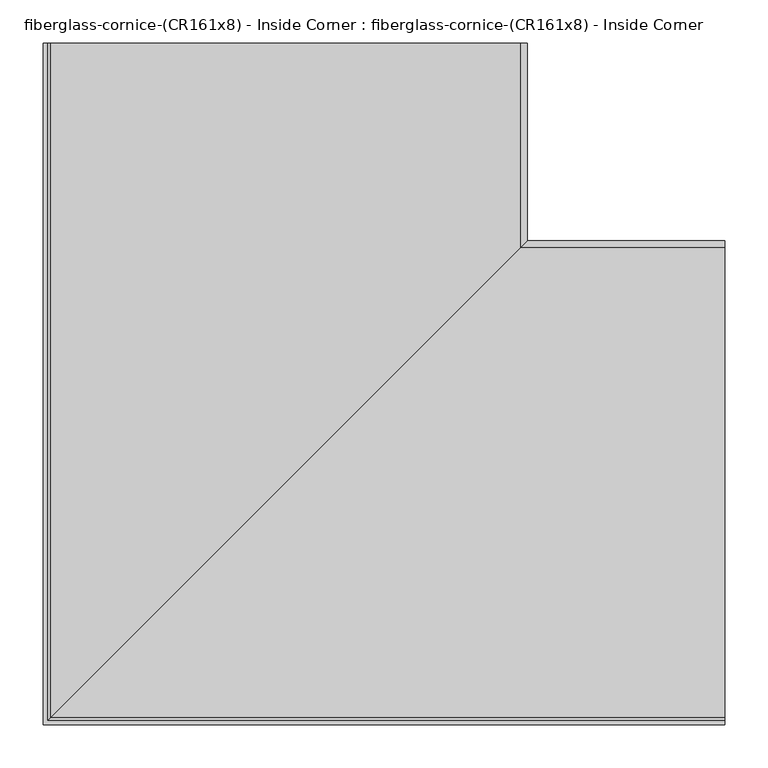
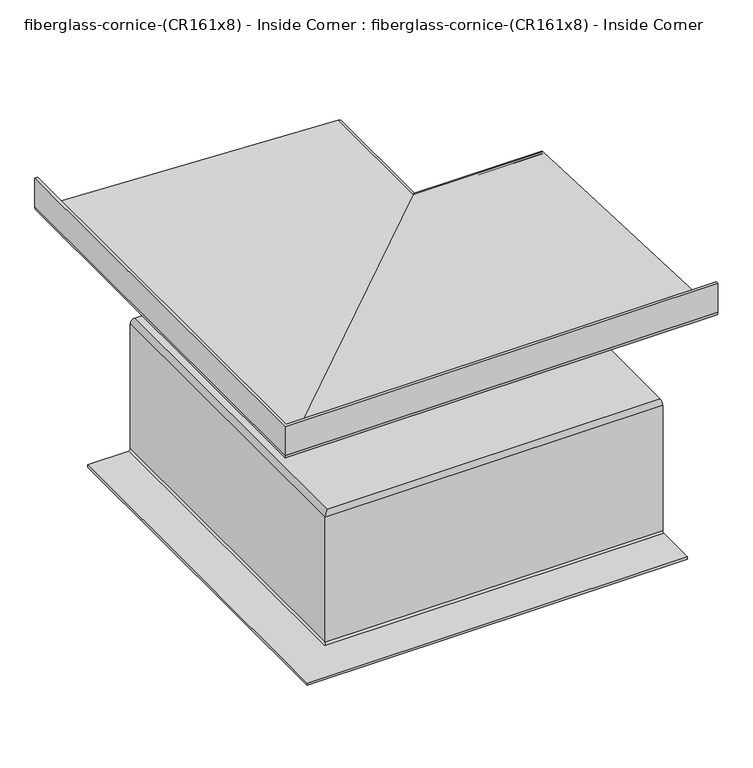
"""IFC4 building model written with IfcOpenShell, lengths in millimetres: furniture geometry, fiberglass-cornice-(CR161x8) - Inside Corner : fiberglass-cornice-(CR161x8) - Inside Corner."""

from ifc_helpers import new_model, si_unit, frame, origin, place, context, project, spatial, polyline, circle_curve, ellipse_curve, source, transform, mapped, element, save
from ifc_brep_helpers import plane_surface, cylinder_surface, revolved_surface, advanced_brep


def fiberglass_cornice_cr161x8_inside_corner_fiberglass_cornice_8de5b2d9(model_context):
    return source(origin(), model_context, "Body", "AdvancedBrep", [
        advanced_brep(
        [(-388.9191662, 888.603125, 274.5878687), (-385.8646334, 888.603125, 271.5333359), (157.6876429, 888.603125, 248.8192233), (165.6629463, 888.603125, 240.8439199), (165.6629463, 888.603125, 1.3732172), (157.694894, 888.603125, -6.5948351), (143.352419, 888.603125, -6.5948351), (140.1651992, 888.603125, -3.4076097), (136.9779808, 888.603125, -0.2203858), (130.6035385, 888.603125, -0.2203858), (127.4163201, 888.603125, -3.4076111), (124.2262327, 888.603125, -6.5948351), (-212.0285523, 888.603125, -6.5948351), (-215.2157708, 888.603125, -9.7820536), (-215.2157708, 888.603125, -250.3692629), (-223.1838168, 888.603125, -258.3373089), (-298.0840763, 888.603125, -258.3373089), (-298.0840763, 888.603125, -253.5564813), (-223.1838168, 888.603125, -253.5564813), (-219.9965984, 888.603125, -250.3692629), (-219.9965984, 888.603125, -9.7820441), (-212.0285521, 888.603125, -1.8139978), (119.4399789, 888.603125, -1.8139978), (122.6354925, 888.603125, 1.3732166), (125.8227109, 888.603125, 4.5604418), (141.7588084, 888.603125, 4.5604418), (144.9460268, 888.603125, 1.3732189), (148.1332466, 888.603125, -1.8140054), (157.694896, 888.603125, -1.8140054), (160.8821186, 888.603125, 1.3732172), (160.8821186, 888.603125, 240.8439199), (157.6919873, 888.603125, 244.0340512), (-386.843299, 888.603125, 266.8276293), (-393.6999938, 888.603125, 274.7177912), (-393.6999938, 888.603125, 330.1999904), (-388.9191662, 888.603125, 330.1999904), (393.6999938, 105.9839526, 274.5878687), (393.6999938, 105.9839526, 330.1999904), (393.6999938, 101.203125, 330.1999904), (393.6999938, 101.203125, 274.7177912), (393.6999938, 108.0598198, 266.8276293), (393.6999938, 652.5951062, 244.0340512), (393.6999938, 655.7852375, 240.8439199), (393.6999938, 655.7852375, 1.3732172), (393.6999938, 652.5980149, -1.8140054), (393.6999938, 643.0363655, -1.8140054), (393.6999938, 639.8491457, 1.3732189), (393.6999938, 636.6619272, 4.5604418), (393.6999938, 620.7258297, 4.5604418), (393.6999938, 617.5386113, 1.3732166), (393.6999938, 614.3430977, -1.8139978), (393.6999938, 282.8745667, -1.8139978), (393.6999938, 274.9065204, -9.7820441), (393.6999938, 274.9065204, -250.3692629), (393.6999938, 271.719302, -253.5564813), (393.6999938, 196.8190426, -253.5564813), (393.6999938, 196.8190426, -258.3373089), (393.6999938, 271.719302, -258.3373089), (393.6999938, 279.6873481, -250.3692629), (393.6999938, 279.6873481, -9.7820536), (393.6999938, 282.8745666, -6.5948351), (393.6999938, 619.1293516, -6.5948351), (393.6999938, 622.3194389, -3.4076111), (393.6999938, 625.5066573, -0.2203858), (393.6999938, 631.8810996, -0.2203858), (393.6999938, 635.068318, -3.4076097), (393.6999938, 638.2555378, -6.5948351), (393.6999938, 652.5980128, -6.5948351), (393.6999938, 660.5660651, 1.3732172), (393.6999938, 660.5660651, 240.8439199), (393.6999938, 652.5907618, 248.8192233), (393.6999938, 109.0384854, 271.5333359), (-388.9191662, 105.9839526, 274.5878687), (-385.8646334, 109.0384854, 271.5333359), (157.6876429, 652.5907618, 248.8192233), (165.6629463, 660.5660651, 240.8439199), (165.6629463, 660.5660651, 1.3732172), (157.694894, 652.5980128, -6.5948351), (143.352419, 638.2555378, -6.5948351), (140.1651992, 635.068318, -3.4076097), (136.9779808, 631.8810996, -0.2203858), (130.6035385, 625.5066573, -0.2203858), (127.4163201, 622.3194389, -3.4076111), (124.2262327, 619.1293516, -6.5948351), (-212.0285523, 282.8745666, -6.5948351), (-215.2157708, 279.6873481, -9.7820536), (-215.2157708, 279.6873481, -250.3692629), (-223.1838168, 271.719302, -258.3373089), (-298.0840763, 196.8190426, -258.3373089), (-298.0840763, 196.8190426, -253.5564813), (-223.1838168, 271.719302, -253.5564813), (-219.9965984, 274.9065204, -250.3692629), (-219.9965984, 274.9065204, -9.7820441), (-212.0285521, 282.8745667, -1.8139978), (119.4399789, 614.3430977, -1.8139978), (122.6354925, 617.5386113, 1.3732166), (125.8227109, 620.7258297, 4.5604418), (141.7588084, 636.6619272, 4.5604418), (144.9460268, 639.8491457, 1.3732189), (148.1332466, 643.0363655, -1.8140054), (157.694896, 652.5980149, -1.8140054), (160.8821186, 655.7852375, 1.3732172), (160.8821186, 655.7852375, 240.8439199), (157.6919873, 652.5951062, 244.0340512), (-386.843299, 108.0598198, 266.8276293), (-393.6999938, 101.203125, 274.7177912), (-393.6999938, 101.203125, 330.1999904), (-388.9191662, 105.9839526, 330.1999904)],
        [
            (0, 1, circle_curve(frame((-385.8646334, 888.603125, 274.5878687), z_axis=(0.0, -1.0, 0.0), x_axis=(1.0, 0.0, 0.0)), 3.0545328)),
            (1, 2),
            (2, 3, circle_curve(frame((157.6876429, 888.603125, 240.8439199), z_axis=(0.0, 1.0, 0.0), x_axis=(1.0, 0.0, 0.0)), 7.9753033)),
            (3, 4),
            (4, 5, circle_curve(frame((157.694894, 888.603125, 1.3732172), z_axis=(0.0, 1.0, 0.0), x_axis=(1.0, 0.0, 0.0)), 7.9680523)),
            (5, 6),
            (6, 7, circle_curve(frame((143.352419, 888.603125, -3.4076153), z_axis=(0.0, 1.0, 0.0), x_axis=(1.0, 0.0, 0.0)), 3.1872198)),
            (7, 8, circle_curve(frame((136.9779808, 888.603125, -3.4076042), z_axis=(0.0, -1.0, 0.0), x_axis=(1.0, 0.0, 0.0)), 3.1872184)),
            (8, 9),
            (9, 10, circle_curve(frame((130.6035385, 888.603125, -3.4076042), z_axis=(0.0, -1.0, 0.0), x_axis=(1.0, 0.0, 0.0)), 3.1872184)),
            (10, 11, circle_curve(frame((124.2291017, 888.603125, -3.407618), z_axis=(0.0, 1.0, 0.0), x_axis=(1.0, 0.0, 0.0)), 3.1872184)),
            (11, 12),
            (12, 13, circle_curve(frame((-212.0285523, 888.603125, -9.7820536), z_axis=(0.0, -1.0, 0.0), x_axis=(1.0, 0.0, 0.0)), 3.1872185)),
            (13, 14),
            (14, 15, circle_curve(frame((-223.1838168, 888.603125, -250.3692629), z_axis=(0.0, 1.0, 0.0), x_axis=(1.0, 0.0, 0.0)), 7.968046)),
            (15, 16),
            (16, 17),
            (17, 18),
            (18, 19, circle_curve(frame((-223.1838168, 888.603125, -250.3692629), z_axis=(0.0, -1.0, 0.0), x_axis=(1.0, 0.0, 0.0)), 3.1872184)),
            (19, 20),
            (20, 21, circle_curve(frame((-212.0285521, 888.603125, -9.7820441), z_axis=(0.0, 1.0, 0.0), x_axis=(1.0, 0.0, 0.0)), 7.9680463)),
            (21, 22),
            (22, 23, circle_curve(frame((119.4482741, 888.603125, 1.3732098), z_axis=(0.0, -1.0, 0.0), x_axis=(1.0, 0.0, 0.0)), 3.1872184)),
            (23, 24, circle_curve(frame((125.8227109, 888.603125, 1.3732234), z_axis=(0.0, 1.0, 0.0), x_axis=(1.0, 0.0, 0.0)), 3.1872184)),
            (24, 25),
            (25, 26, circle_curve(frame((141.7588084, 888.603125, 1.3732234), z_axis=(0.0, 1.0, 0.0), x_axis=(1.0, 0.0, 0.0)), 3.1872184)),
            (26, 27, circle_curve(frame((148.1332466, 888.603125, 1.3732144), z_axis=(0.0, -1.0, 0.0), x_axis=(1.0, 0.0, 0.0)), 3.1872198)),
            (27, 28),
            (28, 29, circle_curve(frame((157.694896, 888.603125, 1.3732172), z_axis=(0.0, -1.0, 0.0), x_axis=(1.0, 0.0, 0.0)), 3.1872226)),
            (29, 30),
            (30, 31, circle_curve(frame((157.6919873, 888.603125, 240.8439199), z_axis=(0.0, -1.0, 0.0), x_axis=(1.0, 0.0, 0.0)), 3.1901313)),
            (31, 32),
            (32, 33, circle_curve(frame((-386.5425116, 888.603125, 274.0133965), z_axis=(0.0, 1.0, 0.0), x_axis=(1.0, 0.0, 0.0)), 7.1920598)),
            (33, 34),
            (34, 35),
            (35, 0),
            (36, 37),
            (37, 38),
            (38, 39),
            (39, 40, circle_curve(frame((393.6999938, 108.3606072, 274.0133965), z_axis=(1.0, 0.0, 0.0), x_axis=(0.0, 1.0, 0.0)), 7.1920598)),
            (40, 41),
            (41, 42, circle_curve(frame((393.6999938, 652.5951062, 240.8439199), z_axis=(-1.0, 0.0, 0.0), x_axis=(0.0, 1.0, 0.0)), 3.1901313)),
            (42, 43),
            (43, 44, circle_curve(frame((393.6999938, 652.5980149, 1.3732172), z_axis=(-1.0, 0.0, 0.0), x_axis=(0.0, 1.0, 0.0)), 3.1872226)),
            (44, 45),
            (45, 46, circle_curve(frame((393.6999938, 643.0363655, 1.3732144), z_axis=(-1.0, 0.0, 0.0), x_axis=(0.0, 1.0, 0.0)), 3.1872198)),
            (46, 47, circle_curve(frame((393.6999938, 636.6619272, 1.3732234), z_axis=(1.0, 0.0, 0.0), x_axis=(0.0, 1.0, 0.0)), 3.1872184)),
            (47, 48),
            (48, 49, circle_curve(frame((393.6999938, 620.7258297, 1.3732234), z_axis=(1.0, 0.0, 0.0), x_axis=(0.0, 1.0, 0.0)), 3.1872184)),
            (49, 50, circle_curve(frame((393.6999938, 614.3513929, 1.3732098), z_axis=(-1.0, 0.0, 0.0), x_axis=(0.0, 1.0, 0.0)), 3.1872184)),
            (50, 51),
            (51, 52, circle_curve(frame((393.6999938, 282.8745667, -9.7820441), z_axis=(1.0, 0.0, 0.0), x_axis=(0.0, 1.0, 0.0)), 7.9680463)),
            (52, 53),
            (53, 54, circle_curve(frame((393.6999938, 271.719302, -250.3692629), z_axis=(-1.0, 0.0, 0.0), x_axis=(0.0, 1.0, 0.0)), 3.1872184)),
            (54, 55),
            (55, 56),
            (56, 57),
            (57, 58, circle_curve(frame((393.6999938, 271.719302, -250.3692629), z_axis=(1.0, 0.0, 0.0), x_axis=(0.0, 1.0, 0.0)), 7.968046)),
            (58, 59),
            (59, 60, circle_curve(frame((393.6999938, 282.8745666, -9.7820536), z_axis=(-1.0, 0.0, 0.0), x_axis=(0.0, 1.0, 0.0)), 3.1872185)),
            (60, 61),
            (61, 62, circle_curve(frame((393.6999938, 619.1322205, -3.407618), z_axis=(1.0, 0.0, 0.0), x_axis=(0.0, 1.0, 0.0)), 3.1872184)),
            (62, 63, circle_curve(frame((393.6999938, 625.5066573, -3.4076042), z_axis=(-1.0, 0.0, 0.0), x_axis=(0.0, 1.0, 0.0)), 3.1872184)),
            (63, 64),
            (64, 65, circle_curve(frame((393.6999938, 631.8810996, -3.4076042), z_axis=(-1.0, 0.0, 0.0), x_axis=(0.0, 1.0, 0.0)), 3.1872184)),
            (65, 66, circle_curve(frame((393.6999938, 638.2555378, -3.4076153), z_axis=(1.0, 0.0, 0.0), x_axis=(0.0, 1.0, 0.0)), 3.1872198)),
            (66, 67),
            (67, 68, circle_curve(frame((393.6999938, 652.5980128, 1.3732172), z_axis=(1.0, 0.0, 0.0), x_axis=(0.0, 1.0, 0.0)), 7.9680523)),
            (68, 69),
            (69, 70, circle_curve(frame((393.6999938, 652.5907618, 240.8439199), z_axis=(1.0, 0.0, 0.0), x_axis=(0.0, 1.0, 0.0)), 7.9753033)),
            (70, 71),
            (71, 36, circle_curve(frame((393.6999938, 109.0384854, 274.5878687), z_axis=(-1.0, 0.0, 0.0), x_axis=(0.0, 1.0, 0.0)), 3.0545328)),
            (0, 72),
            (72, 73, ellipse_curve(frame((-385.8646334, 109.0384854, 274.5878687), z_axis=(0.7071067811865475, -0.7071067811865475, 0.0), x_axis=(-0.7071067811865474, -0.7071067811865476, 0.0)), 4.3197617, 3.0545328)),
            (73, 1),
            (73, 74),
            (74, 2),
            (74, 75, ellipse_curve(frame((157.6876429, 652.5907618, 240.8439199), z_axis=(-0.7071067811865475, 0.7071067811865475, 0.0), x_axis=(0.7071067811865474, 0.7071067811865476, 0.0)), 11.2787821, 7.9753033)),
            (75, 3),
            (75, 76),
            (76, 4),
            (76, 77, ellipse_curve(frame((157.694894, 652.5980128, 1.3732172), z_axis=(-0.7071067811865475, 0.7071067811865475, 0.0), x_axis=(0.7071067811865474, 0.7071067811865476, 0.0)), 11.2685276, 7.9680523)),
            (77, 5),
            (77, 67),
            (66, 78),
            (78, 6),
            (78, 79, ellipse_curve(frame((143.352419, 638.2555378, -3.4076153), z_axis=(-0.7071067811865475, 0.7071067811865475, 0.0), x_axis=(0.7071067811865474, 0.7071067811865476, 0.0)), 4.5074095, 3.1872198)),
            (79, 7),
            (79, 80, ellipse_curve(frame((136.9779808, 631.8810996, -3.4076042), z_axis=(0.7071067811865475, -0.7071067811865475, 0.0), x_axis=(-0.7071067811865474, -0.7071067811865476, 0.0)), 4.5074075, 3.1872184)),
            (80, 8),
            (80, 64),
            (63, 81),
            (81, 9),
            (81, 82, ellipse_curve(frame((130.6035385, 625.5066573, -3.4076042), z_axis=(0.7071067811865475, -0.7071067811865475, 0.0), x_axis=(-0.7071067811865474, -0.7071067811865476, 0.0)), 4.5074075, 3.1872184)),
            (82, 10),
            (82, 83, ellipse_curve(frame((124.2291017, 619.1322205, -3.407618), z_axis=(-0.7071067811865475, 0.7071067811865475, 0.0), x_axis=(0.7071067811865474, 0.7071067811865476, 0.0)), 4.5074075, 3.1872184)),
            (83, 11),
            (83, 61),
            (60, 84),
            (84, 12),
            (84, 85, ellipse_curve(frame((-212.0285523, 282.8745666, -9.7820536), z_axis=(0.7071067811865475, -0.7071067811865475, 0.0), x_axis=(-0.7071067811865474, -0.7071067811865476, 0.0)), 4.5074076, 3.1872185)),
            (85, 13),
            (85, 86),
            (86, 14),
            (86, 87, ellipse_curve(frame((-223.1838168, 271.719302, -250.3692629), z_axis=(-0.7071067811865475, 0.7071067811865475, 0.0), x_axis=(0.7071067811865474, 0.7071067811865476, 0.0)), 11.2685188, 7.968046)),
            (87, 15),
            (87, 57),
            (56, 88),
            (88, 16),
            (88, 89),
            (89, 17),
            (89, 55),
            (54, 90),
            (90, 18),
            (90, 91, ellipse_curve(frame((-223.1838168, 271.719302, -250.3692629), z_axis=(0.7071067811865475, -0.7071067811865475, 0.0), x_axis=(-0.7071067811865474, -0.7071067811865476, 0.0)), 4.5074075, 3.1872184)),
            (91, 19),
            (91, 92),
            (92, 20),
            (92, 93, ellipse_curve(frame((-212.0285521, 282.8745667, -9.7820441), z_axis=(-0.7071067811865475, 0.7071067811865475, 0.0), x_axis=(0.7071067811865474, 0.7071067811865476, 0.0)), 11.2685191, 7.9680463)),
            (93, 21),
            (93, 51),
            (50, 94),
            (94, 22),
            (94, 95, ellipse_curve(frame((119.4482741, 614.3513929, 1.3732098), z_axis=(0.7071067811865475, -0.7071067811865475, 0.0), x_axis=(-0.7071067811865474, -0.7071067811865476, 0.0)), 4.5074075, 3.1872184)),
            (95, 23),
            (95, 96, ellipse_curve(frame((125.8227109, 620.7258297, 1.3732234), z_axis=(-0.7071067811865475, 0.7071067811865475, 0.0), x_axis=(0.7071067811865474, 0.7071067811865476, 0.0)), 4.5074075, 3.1872184)),
            (96, 24),
            (96, 48),
            (47, 97),
            (97, 25),
            (97, 98, ellipse_curve(frame((141.7588084, 636.6619272, 1.3732234), z_axis=(-0.7071067811865475, 0.7071067811865475, 0.0), x_axis=(0.7071067811865474, 0.7071067811865476, 0.0)), 4.5074075, 3.1872184)),
            (98, 26),
            (98, 99, ellipse_curve(frame((148.1332466, 643.0363655, 1.3732144), z_axis=(0.7071067811865475, -0.7071067811865475, 0.0), x_axis=(-0.7071067811865474, -0.7071067811865476, 0.0)), 4.5074095, 3.1872198)),
            (99, 27),
            (99, 45),
            (44, 100),
            (100, 28),
            (100, 101, ellipse_curve(frame((157.694896, 652.5980149, 1.3732172), z_axis=(0.7071067811865475, -0.7071067811865475, 0.0), x_axis=(-0.7071067811865474, -0.7071067811865476, 0.0)), 4.5074134, 3.1872226)),
            (101, 29),
            (101, 102),
            (102, 30),
            (102, 103, ellipse_curve(frame((157.6919873, 652.5951062, 240.8439199), z_axis=(0.7071067811865475, -0.7071067811865475, 0.0), x_axis=(-0.7071067811865474, -0.7071067811865476, 0.0)), 4.511527, 3.1901313)),
            (103, 31),
            (103, 104),
            (104, 32),
            (104, 105, ellipse_curve(frame((-386.5425116, 108.3606072, 274.0133965), z_axis=(-0.7071067811865475, 0.7071067811865475, 0.0), x_axis=(0.7071067811865474, 0.7071067811865476, 0.0)), 10.1711084, 7.1920598)),
            (105, 33),
            (105, 106),
            (106, 34),
            (106, 38),
            (37, 107),
            (107, 35),
            (107, 72),
            (72, 36),
            (71, 73),
            (70, 74),
            (69, 75),
            (68, 76),
            (65, 79),
            (62, 82),
            (59, 85),
            (58, 86),
            (53, 91),
            (52, 92),
            (49, 95),
            (46, 98),
            (43, 101),
            (42, 102),
            (41, 103),
            (40, 104),
            (39, 105),
        ],
        [
            plane_surface(frame((-393.6999938, 888.603125, 330.1999904), z_axis=(0.0, 1.0, 0.0), x_axis=(0.0, 0.0, 1.0))),
            plane_surface(frame((393.6999938, 101.203125, 330.1999904), z_axis=(1.0, 0.0, 0.0), x_axis=(0.0, 0.0, 1.0))),
            revolved_surface(polyline([(-382.8101006, 105.98395259999995, 274.5878687), (-382.8101006, 888.603125, 274.5878687)]), (-385.8646334, 888.603125, 274.5878687), (0.0, -1.0, 0.0)),
            plane_surface(frame((-385.8646334, 888.603125, 271.5333359), z_axis=(0.04175183727404033, 0.0, 0.9991280118604633), x_axis=(0.0, -1.0, 0.0))),
            cylinder_surface(frame((157.6876429, 888.603125, 240.8439199), z_axis=(0.0, 1.0, 0.0), x_axis=(1.0, 0.0, 0.0)), 7.9753033),
            plane_surface(frame((165.6629463, 888.603125, 240.8439199), z_axis=(1.0, 0.0, 0.0), x_axis=(0.0, -1.0, 0.0))),
            cylinder_surface(frame((157.694894, 888.603125, 1.3732172), z_axis=(0.0, 1.0, 0.0), x_axis=(1.0, 0.0, 0.0)), 7.9680523),
            plane_surface(frame((157.694894, 888.603125, -6.5948351), z_axis=(0.0, 0.0, -1.0), x_axis=(0.0, -1.0, 0.0))),
            cylinder_surface(frame((143.352419, 888.603125, -3.4076153), z_axis=(0.0, 1.0, 0.0), x_axis=(1.0, 0.0, 0.0)), 3.1872198),
            revolved_surface(polyline([(140.16519920000002, 628.6938811911789, -3.4076042), (140.16519920000002, 888.603125, -3.4076042)]), (136.9779808, 888.603125, -3.4076042), (0.0, -1.0, 0.0)),
            plane_surface(frame((136.9779808, 888.603125, -0.2203858), z_axis=(0.0, 0.0, -1.0), x_axis=(0.0, -1.0, 0.0))),
            revolved_surface(polyline([(133.79075690000002, 622.319438891179, -3.4076042), (133.79075690000002, 888.603125, -3.4076042)]), (130.6035385, 888.603125, -3.4076042), (0.0, -1.0, 0.0)),
            cylinder_surface(frame((124.2291017, 888.603125, -3.407618), z_axis=(0.0, 1.0, 0.0), x_axis=(1.0, 0.0, 0.0)), 3.1872184),
            plane_surface(frame((124.2262327, 888.603125, -6.5948351), z_axis=(0.0, 0.0, -1.0), x_axis=(0.0, -1.0, 0.0))),
            revolved_surface(polyline([(-208.8413338, 279.6873481, -9.7820536), (-208.8413338, 888.603125, -9.7820536)]), (-212.0285523, 888.603125, -9.7820536), (0.0, -1.0, 0.0)),
            plane_surface(frame((-215.2157708, 888.603125, -9.7820536), z_axis=(1.0, 0.0, 0.0), x_axis=(0.0, -1.0, 0.0))),
            cylinder_surface(frame((-223.1838168, 888.603125, -250.3692629), z_axis=(0.0, 1.0, 0.0), x_axis=(1.0, 0.0, 0.0)), 7.968046),
            plane_surface(frame((-223.1838168, 888.603125, -258.3373089), z_axis=(0.0, 0.0, -1.0), x_axis=(0.0, -1.0, 0.0))),
            plane_surface(frame((-298.0840763, 888.603125, -258.3373089), z_axis=(-1.0, 0.0, 0.0), x_axis=(0.0, -1.0, 0.0))),
            plane_surface(frame((-298.0840763, 888.603125, -253.5564813), z_axis=(0.0, 0.0, 1.0), x_axis=(0.0, -1.0, 0.0))),
            revolved_surface(polyline([(-219.99659839999998, 268.532083591179, -250.3692629), (-219.99659839999998, 888.603125, -250.3692629)]), (-223.1838168, 888.603125, -250.3692629), (0.0, -1.0, 0.0)),
            plane_surface(frame((-219.9965984, 888.603125, -250.3692629), z_axis=(-1.0, 0.0, 0.0), x_axis=(0.0, -1.0, 0.0))),
            cylinder_surface(frame((-212.0285521, 888.603125, -9.7820441), z_axis=(0.0, 1.0, 0.0), x_axis=(1.0, 0.0, 0.0)), 7.9680463),
            plane_surface(frame((-212.0285521, 888.603125, -1.8139978), z_axis=(0.0, 0.0, 1.0), x_axis=(0.0, -1.0, 0.0))),
            revolved_surface(polyline([(122.63549250000001, 611.1641744911789, 1.3732098), (122.63549250000001, 888.603125, 1.3732098)]), (119.4482741, 888.603125, 1.3732098), (0.0, -1.0, 0.0)),
            cylinder_surface(frame((125.8227109, 888.603125, 1.3732234), z_axis=(0.0, 1.0, 0.0), x_axis=(1.0, 0.0, 0.0)), 3.1872184),
            plane_surface(frame((125.8227109, 888.603125, 4.5604418), z_axis=(0.0, 0.0, 1.0), x_axis=(0.0, -1.0, 0.0))),
            cylinder_surface(frame((141.7588084, 888.603125, 1.3732234), z_axis=(0.0, 1.0, 0.0), x_axis=(1.0, 0.0, 0.0)), 3.1872184),
            revolved_surface(polyline([(151.32046640000002, 639.8491456769653, 1.3732144), (151.32046640000002, 888.603125, 1.3732144)]), (148.1332466, 888.603125, 1.3732144), (0.0, -1.0, 0.0)),
            plane_surface(frame((148.1332466, 888.603125, -1.8140054), z_axis=(0.0, 0.0, 1.0), x_axis=(0.0, -1.0, 0.0))),
            revolved_surface(polyline([(160.8821186, 649.4107923192488, 1.3732172), (160.8821186, 888.603125, 1.3732172)]), (157.694896, 888.603125, 1.3732172), (0.0, -1.0, 0.0)),
            plane_surface(frame((160.8821186, 888.603125, 1.3732172), z_axis=(-1.0, 0.0, 0.0), x_axis=(0.0, -1.0, 0.0))),
            revolved_surface(polyline([(160.88211859999998, 649.4049748647939, 240.8439199), (160.88211859999998, 888.603125, 240.8439199)]), (157.6919873, 888.603125, 240.8439199), (0.0, -1.0, 0.0)),
            plane_surface(frame((157.6919873, 888.603125, 244.0340512), z_axis=(-0.041822147847125, 0.0, -0.9991250712245456), x_axis=(0.0, -1.0, 0.0))),
            cylinder_surface(frame((-386.5425116, 888.603125, 274.0133965), z_axis=(0.0, 1.0, 0.0), x_axis=(1.0, 0.0, 0.0)), 7.1920598),
            plane_surface(frame((-393.6999938, 888.603125, 274.7177912), z_axis=(-1.0, 0.0, 0.0), x_axis=(0.0, -1.0, 0.0))),
            plane_surface(frame((-393.6999938, 888.603125, 330.1999904), z_axis=(0.0, 0.0, 1.0), x_axis=(0.0, -1.0, 0.0))),
            plane_surface(frame((-388.9191662, 888.603125, 330.1999904), z_axis=(1.0, 0.0, 0.0), x_axis=(0.0, -1.0, 0.0))),
            revolved_surface(polyline([(393.6999938, 112.0930182, 274.5878687), (-388.9191662, 112.0930182, 274.5878687)]), (-393.6999938, 109.0384854, 274.5878687), (1.0, 0.0, 0.0)),
            plane_surface(frame((-385.8646334, 109.0384854, 271.5333359), z_axis=(0.0, 0.04175183727404033, 0.9991280118604633), x_axis=(1.0, 0.0, 0.0))),
            cylinder_surface(frame((-393.6999938, 652.5907618, 240.8439199), z_axis=(-1.0, 0.0, 0.0), x_axis=(0.0, 1.0, 0.0)), 7.9753033),
            plane_surface(frame((165.6629463, 660.5660651, 240.8439199), z_axis=(0.0, 1.0, 0.0), x_axis=(1.0, 0.0, 0.0))),
            cylinder_surface(frame((-393.6999938, 652.5980128, 1.3732172), z_axis=(-1.0, 0.0, 0.0), x_axis=(0.0, 1.0, 0.0)), 7.9680523),
            cylinder_surface(frame((-393.6999938, 638.2555378, -3.4076153), z_axis=(-1.0, 0.0, 0.0), x_axis=(0.0, 1.0, 0.0)), 3.1872198),
            revolved_surface(polyline([(393.6999938, 635.068318, -3.4076042), (133.79076239117887, 635.068318, -3.4076042)]), (-393.6999938, 631.8810996, -3.4076042), (1.0, 0.0, 0.0)),
            revolved_surface(polyline([(393.6999938, 628.6938757, -3.4076042), (127.41632009117893, 628.6938757, -3.4076042)]), (-393.6999938, 625.5066573, -3.4076042), (1.0, 0.0, 0.0)),
            cylinder_surface(frame((-393.6999938, 619.1322205, -3.407618), z_axis=(-1.0, 0.0, 0.0), x_axis=(0.0, 1.0, 0.0)), 3.1872184),
            revolved_surface(polyline([(393.6999938, 286.06178509999995, -9.7820536), (-215.2157708, 286.06178509999995, -9.7820536)]), (-393.6999938, 282.8745666, -9.7820536), (1.0, 0.0, 0.0)),
            plane_surface(frame((-215.2157708, 279.6873481, -9.7820536), z_axis=(0.0, 1.0, 0.0), x_axis=(1.0, 0.0, 0.0))),
            cylinder_surface(frame((-393.6999938, 271.719302, -250.3692629), z_axis=(-1.0, 0.0, 0.0), x_axis=(0.0, 1.0, 0.0)), 7.968046),
            plane_surface(frame((-298.0840763, 196.8190426, -258.3373089), z_axis=(0.0, -1.0, 0.0), x_axis=(1.0, 0.0, 0.0))),
            revolved_surface(polyline([(393.6999938, 274.90652040000003, -250.3692629), (-226.3710352088211, 274.90652040000003, -250.3692629)]), (-393.6999938, 271.719302, -250.3692629), (1.0, 0.0, 0.0)),
            plane_surface(frame((-219.9965984, 274.9065204, -250.3692629), z_axis=(0.0, -1.0, 0.0), x_axis=(1.0, 0.0, 0.0))),
            cylinder_surface(frame((-393.6999938, 282.8745667, -9.7820441), z_axis=(-1.0, 0.0, 0.0), x_axis=(0.0, 1.0, 0.0)), 7.9680463),
            revolved_surface(polyline([(393.6999938, 617.5386113, 1.3732098), (116.26105569117897, 617.5386113, 1.3732098)]), (-393.6999938, 614.3513929, 1.3732098), (1.0, 0.0, 0.0)),
            cylinder_surface(frame((-393.6999938, 620.7258297, 1.3732234), z_axis=(-1.0, 0.0, 0.0), x_axis=(0.0, 1.0, 0.0)), 3.1872184),
            cylinder_surface(frame((-393.6999938, 636.6619272, 1.3732234), z_axis=(-1.0, 0.0, 0.0), x_axis=(0.0, 1.0, 0.0)), 3.1872184),
            revolved_surface(polyline([(393.6999938, 646.2235853, 1.3732144), (144.94602677696537, 646.2235853, 1.3732144)]), (-393.6999938, 643.0363655, 1.3732144), (1.0, 0.0, 0.0)),
            revolved_surface(polyline([(393.6999938, 655.7852375, 1.3732172), (154.50767341924882, 655.7852375, 1.3732172)]), (-393.6999938, 652.5980149, 1.3732172), (1.0, 0.0, 0.0)),
            plane_surface(frame((160.8821186, 655.7852375, 1.3732172), z_axis=(0.0, -1.0, 0.0), x_axis=(1.0, 0.0, 0.0))),
            revolved_surface(polyline([(393.6999938, 655.7852375, 240.8439199), (154.5018559647939, 655.7852375, 240.8439199)]), (-393.6999938, 652.5951062, 240.8439199), (1.0, 0.0, 0.0)),
            plane_surface(frame((157.6919873, 652.5951062, 244.0340512), z_axis=(0.0, -0.041822147847125, -0.9991250712245456), x_axis=(1.0, 0.0, 0.0))),
            cylinder_surface(frame((-393.6999938, 108.3606072, 274.0133965), z_axis=(-1.0, 0.0, 0.0), x_axis=(0.0, 1.0, 0.0)), 7.1920598),
            plane_surface(frame((-393.6999938, 101.203125, 274.7177912), z_axis=(0.0, -1.0, 0.0), x_axis=(1.0, 0.0, 0.0))),
            plane_surface(frame((-388.9191662, 105.9839526, 330.1999904), z_axis=(0.0, 1.0, 0.0), x_axis=(1.0, 0.0, 0.0))),
        ],
        [
            (0, [[1, 2, 3, 4, 5, 6, 7, 8, 9, 10, 11, 12, 13, 14, 15, 16, 17, 18, 19, 20, 21, 22, 23, 24, 25, 26, 27, 28, 29, 30, 31, 32, 33, 34, 35, 36]]),
            (1, [[37, 38, 39, 40, 41, 42, 43, 44, 45, 46, 47, 48, 49, 50, 51, 52, 53, 54, 55, 56, 57, 58, 59, 60, 61, 62, 63, 64, 65, 66, 67, 68, 69, 70, 71, 72]]),
            (2, [[-1, 73, 74, 75]]),
            (3, [[-2, -75, 76, 77]]),
            (4, [[-3, -77, 78, 79]]),
            (5, [[-4, -79, 80, 81]]),
            (6, [[-5, -81, 82, 83]]),
            (7, [[-6, -83, 84, -67, 85, 86]]),
            (8, [[-7, -86, 87, 88]]),
            (9, [[-8, -88, 89, 90]]),
            (10, [[-9, -90, 91, -64, 92, 93]]),
            (11, [[-10, -93, 94, 95]]),
            (12, [[-11, -95, 96, 97]]),
            (13, [[-12, -97, 98, -61, 99, 100]]),
            (14, [[-13, -100, 101, 102]]),
            (15, [[-14, -102, 103, 104]]),
            (16, [[-15, -104, 105, 106]]),
            (17, [[-16, -106, 107, -57, 108, 109]]),
            (18, [[-17, -109, 110, 111]]),
            (19, [[-18, -111, 112, -55, 113, 114]]),
            (20, [[-19, -114, 115, 116]]),
            (21, [[-20, -116, 117, 118]]),
            (22, [[-21, -118, 119, 120]]),
            (23, [[-22, -120, 121, -51, 122, 123]]),
            (24, [[-23, -123, 124, 125]]),
            (25, [[-24, -125, 126, 127]]),
            (26, [[-25, -127, 128, -48, 129, 130]]),
            (27, [[-26, -130, 131, 132]]),
            (28, [[-27, -132, 133, 134]]),
            (29, [[-28, -134, 135, -45, 136, 137]]),
            (30, [[-29, -137, 138, 139]]),
            (31, [[-30, -139, 140, 141]]),
            (32, [[-31, -141, 142, 143]]),
            (33, [[-32, -143, 144, 145]]),
            (34, [[-33, -145, 146, 147]]),
            (35, [[-34, -147, 148, 149]]),
            (36, [[-35, -149, 150, -38, 151, 152]]),
            (37, [[-36, -152, 153, -73]]),
            (38, [[-74, 154, -72, 155]]),
            (39, [[-76, -155, -71, 156]]),
            (40, [[-78, -156, -70, 157]]),
            (41, [[-80, -157, -69, 158]]),
            (42, [[-82, -158, -68, -84]]),
            (43, [[-87, -85, -66, 159]]),
            (44, [[-89, -159, -65, -91]]),
            (45, [[-94, -92, -63, 160]]),
            (46, [[-96, -160, -62, -98]]),
            (47, [[-101, -99, -60, 161]]),
            (48, [[-103, -161, -59, 162]]),
            (49, [[-105, -162, -58, -107]]),
            (50, [[-110, -108, -56, -112]]),
            (51, [[-115, -113, -54, 163]]),
            (52, [[-117, -163, -53, 164]]),
            (53, [[-119, -164, -52, -121]]),
            (54, [[-124, -122, -50, 165]]),
            (55, [[-126, -165, -49, -128]]),
            (56, [[-131, -129, -47, 166]]),
            (57, [[-133, -166, -46, -135]]),
            (58, [[-138, -136, -44, 167]]),
            (59, [[-140, -167, -43, 168]]),
            (60, [[-142, -168, -42, 169]]),
            (61, [[-144, -169, -41, 170]]),
            (62, [[-146, -170, -40, 171]]),
            (63, [[-148, -171, -39, -150]]),
            (64, [[-153, -151, -37, -154]]),
        ],
    ),
    ])


if __name__ == "__main__":
    model = new_model("IFC4")
    model_context = context("Model", 3, world=origin())
    ifc_project = project(units=[si_unit("LENGTHUNIT", "METRE", prefix="MILLI")], contexts=[model_context])
    site = spatial("IfcSite", under=ifc_project)
    building = spatial("IfcBuilding", under=site)
    placement = place(None, origin())
    fiberglass_cornice_cr161x8_inside_corner_fiberglass_cornice_shape = fiberglass_cornice_cr161x8_inside_corner_fiberglass_cornice_8de5b2d9(model_context)
    element("IfcFurniture", 1, ObjectType="fiberglass-cornice-(CR161x8) - Inside Corner : fiberglass-cornice-(CR161x8) - Inside Corner", at=placement, inside=building, context=model_context, shape_type="MappedRepresentation", body=[
        mapped(fiberglass_cornice_cr161x8_inside_corner_fiberglass_cornice_shape, transform((0.0, 0.0, 0.0), x_axis=(1.0, 0.0, 0.0), y_axis=(0.0, 1.0, 0.0), z_axis=(0.0, 0.0, 1.0))),
    ])
    save(model, "model.ifc")
